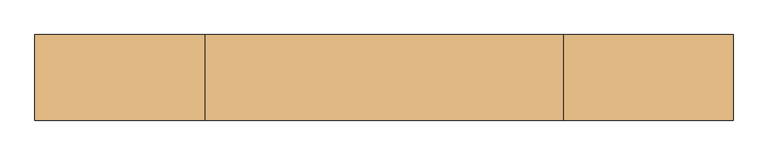
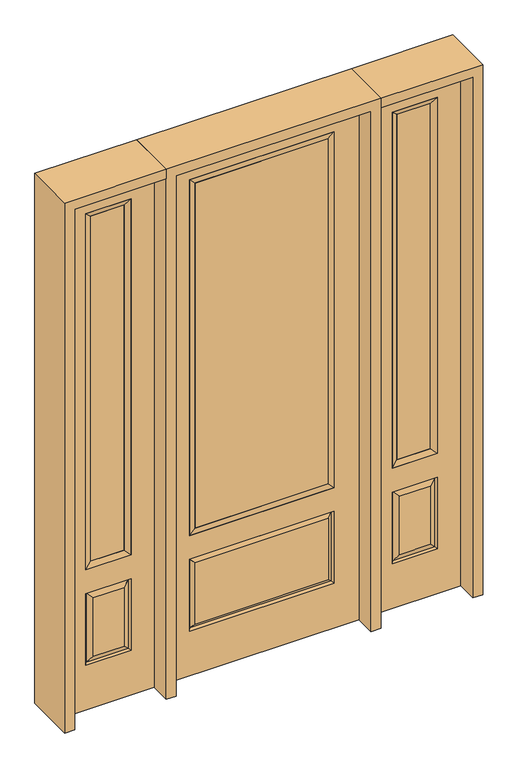
"""IFC4 building model written with IfcOpenShell, lengths in millimetres: door geometry."""

from ifc_helpers import new_model, si_unit, frame, origin, place, context, project, spatial, polyline, outline, extrude, faceted_brep, source, transform, mapped, element, save


def door_7d9199bf(model_context):
    return source(origin(), model_context, "Body", "SolidModel", [
        faceted_brep([(476.25, -22.225, 0.0), (882.65, -22.225, 0.0), (882.65, -22.225, 2438.4), (476.25, -22.225, 2438.4), (779.78, -22.225, 2325.624), (779.78, -22.225, 657.098), (579.12, -22.225, 657.098), (579.12, -22.225, 2325.624), (779.78, -22.225, 209.55), (579.12, -22.225, 209.55), (579.12, -22.225, 546.1), (779.78, -22.225, 546.1), (610.8351001, -22.225, 241.2651001), (748.0648999, -22.225, 241.2651001), (748.0648999, -22.225, 514.3848999), (610.8351001, -22.225, 514.3848999), (476.25, 22.225, 0.0), (476.25, 22.225, 2438.4), (882.65, 22.225, 2438.4), (882.65, 22.225, 0.0), (779.78, 22.225, 2325.624), (579.12, 22.225, 2325.624), (579.12, 22.225, 657.098), (779.78, 22.225, 657.098), (579.12, 22.225, 209.55), (779.78, 22.225, 209.55), (779.78, 22.225, 546.1), (579.12, 22.225, 546.1), (748.0648999, 22.225, 241.2651001), (610.8351001, 22.225, 241.2651001), (610.8351001, 22.225, 514.3848999), (748.0648999, 22.225, 514.3848999), (772.6711499, 12.7912373, 216.6588501), (586.2288501, 12.7912373, 216.6588501), (586.2288501, 12.7912373, 538.9911499), (772.6711499, 12.7912373, 538.9911499), (586.2288501, -12.7912373, 216.6588501), (772.6711499, -12.7912373, 216.6588501), (586.2288501, -12.7912373, 538.9911499), (772.6711499, -12.7912373, 538.9911499)], [[[0, 1, 2, 3], [4, 5, 6, 7], [8, 9, 10, 11]], [[12, 13, 14, 15]], [[16, 17, 18, 19], [20, 21, 22, 23], [24, 25, 26, 27]], [[28, 29, 30, 31]], [[1, 0, 16, 19]], [[2, 1, 19, 18]], [[3, 2, 18, 17]], [[0, 3, 17, 16]], [[5, 4, 20, 23]], [[6, 5, 23, 22]], [[7, 6, 22, 21]], [[4, 7, 21, 20]], [[32, 33, 29, 28]], [[33, 32, 25, 24]], [[29, 33, 34, 30]], [[33, 24, 27, 34]], [[30, 34, 35, 31]], [[34, 27, 26, 35]], [[32, 28, 31, 35]], [[25, 32, 35, 26]], [[12, 36, 37, 13]], [[37, 36, 9, 8]], [[36, 12, 15, 38]], [[9, 36, 38, 10]], [[38, 15, 14, 39]], [[10, 38, 39, 11]], [[13, 37, 39, 14]], [[37, 8, 11, 39]]]),
        faceted_brep([(579.12, 22.225, 2325.624), (579.12, -22.225, 2325.624), (779.78, -22.225, 2325.624), (779.78, 22.225, 2325.624), (604.52, 12.7, 2300.224), (754.38, 12.7, 2300.224), (604.52, -12.7, 2300.224), (754.38, -12.7, 2300.224), (779.78, -22.225, 657.098), (779.78, 22.225, 657.098), (754.38, 12.7, 682.498), (754.38, -12.7, 682.498), (579.12, -22.225, 657.098), (579.12, 22.225, 657.098), (604.52, 12.7, 682.498), (604.52, -12.7, 682.498)], [[[0, 1, 2, 3]], [[4, 0, 3, 5]], [[6, 4, 5, 7]], [[1, 6, 7, 2]], [[3, 2, 8, 9]], [[5, 3, 9, 10]], [[7, 5, 10, 11]], [[2, 7, 11, 8]], [[9, 8, 12, 13]], [[10, 9, 13, 14]], [[11, 10, 14, 15]], [[8, 11, 15, 12]], [[13, 12, 1, 0]], [[14, 13, 0, 4]], [[15, 14, 4, 6]], [[12, 15, 6, 1]]]),
        extrude(outline(polyline([(754.38, -12.7), (604.52, -12.7), (604.52, 12.7), (754.38, 12.7), (754.38, -12.7)])), frame((0.0, 0.0, 682.498), z_axis=(0.0, 0.0, 1.0), x_axis=(1.0, 0.0, 0.0)), (0.0, 0.0, 1.0), 1617.726),
        faceted_brep([(-882.65, -22.225, 0.0), (-476.25, -22.225, 0.0), (-476.25, -22.225, 2438.4), (-882.65, -22.225, 2438.4), (-579.12, -22.225, 2325.624), (-579.12, -22.225, 657.098), (-779.78, -22.225, 657.098), (-779.78, -22.225, 2325.624), (-579.12, -22.225, 209.55), (-779.78, -22.225, 209.55), (-779.78, -22.225, 546.1), (-579.12, -22.225, 546.1), (-748.0648999, -22.225, 241.2651001), (-610.8351001, -22.225, 241.2651001), (-610.8351001, -22.225, 514.3848999), (-748.0648999, -22.225, 514.3848999), (-882.65, 22.225, 0.0), (-882.65, 22.225, 2438.4), (-476.25, 22.225, 2438.4), (-476.25, 22.225, 0.0), (-579.12, 22.225, 2325.624), (-779.78, 22.225, 2325.624), (-779.78, 22.225, 657.098), (-579.12, 22.225, 657.098), (-779.78, 22.225, 209.55), (-579.12, 22.225, 209.55), (-579.12, 22.225, 546.1), (-779.78, 22.225, 546.1), (-610.8351001, 22.225, 241.2651001), (-748.0648999, 22.225, 241.2651001), (-748.0648999, 22.225, 514.3848999), (-610.8351001, 22.225, 514.3848999), (-586.2288501, 12.7912373, 216.6588501), (-772.6711499, 12.7912373, 216.6588501), (-772.6711499, 12.7912373, 538.9911499), (-586.2288501, 12.7912373, 538.9911499), (-772.6711499, -12.7912373, 216.6588501), (-586.2288501, -12.7912373, 216.6588501), (-772.6711499, -12.7912373, 538.9911499), (-586.2288501, -12.7912373, 538.9911499)], [[[0, 1, 2, 3], [4, 5, 6, 7], [8, 9, 10, 11]], [[12, 13, 14, 15]], [[16, 17, 18, 19], [20, 21, 22, 23], [24, 25, 26, 27]], [[28, 29, 30, 31]], [[1, 0, 16, 19]], [[2, 1, 19, 18]], [[3, 2, 18, 17]], [[0, 3, 17, 16]], [[5, 4, 20, 23]], [[6, 5, 23, 22]], [[7, 6, 22, 21]], [[4, 7, 21, 20]], [[32, 33, 29, 28]], [[33, 32, 25, 24]], [[29, 33, 34, 30]], [[33, 24, 27, 34]], [[30, 34, 35, 31]], [[34, 27, 26, 35]], [[32, 28, 31, 35]], [[25, 32, 35, 26]], [[12, 36, 37, 13]], [[37, 36, 9, 8]], [[36, 12, 15, 38]], [[9, 36, 38, 10]], [[38, 15, 14, 39]], [[10, 38, 39, 11]], [[13, 37, 39, 14]], [[37, 8, 11, 39]]]),
        faceted_brep([(-779.78, 22.225, 2325.624), (-779.78, -22.225, 2325.624), (-579.12, -22.225, 2325.624), (-579.12, 22.225, 2325.624), (-754.38, 12.7, 2300.224), (-604.52, 12.7, 2300.224), (-754.38, -12.7, 2300.224), (-604.52, -12.7, 2300.224), (-579.12, -22.225, 657.098), (-579.12, 22.225, 657.098), (-604.52, 12.7, 682.498), (-604.52, -12.7, 682.498), (-779.78, -22.225, 657.098), (-779.78, 22.225, 657.098), (-754.38, 12.7, 682.498), (-754.38, -12.7, 682.498)], [[[0, 1, 2, 3]], [[4, 0, 3, 5]], [[6, 4, 5, 7]], [[1, 6, 7, 2]], [[3, 2, 8, 9]], [[5, 3, 9, 10]], [[7, 5, 10, 11]], [[2, 7, 11, 8]], [[9, 8, 12, 13]], [[10, 9, 13, 14]], [[11, 10, 14, 15]], [[8, 11, 15, 12]], [[13, 12, 1, 0]], [[14, 13, 0, 4]], [[15, 14, 4, 6]], [[12, 15, 6, 1]]]),
        extrude(outline(polyline([(-604.52, -12.7), (-754.38, -12.7), (-754.38, 12.7), (-604.52, 12.7), (-604.52, -12.7)])), frame((0.0, 0.0, 682.498), z_axis=(0.0, 0.0, 1.0), x_axis=(1.0, 0.0, 0.0)), (0.0, 0.0, 1.0), 1617.726),
        extrude(outline(polyline([(295.275, -20.32), (-295.275, -20.32), (-295.275, 5.08), (295.275, 5.08), (295.275, -20.32)])), frame((0.0, 0.0, 682.498), z_axis=(0.0, 0.0, 1.0), x_axis=(1.0, 0.0, 0.0)), (0.0, 0.0, 1.0), 1616.202),
        faceted_brep([(-313.5661499, -12.7912373, 216.6588501), (313.5661499, -12.7912373, 216.6588501), (296.06875, -22.225, 234.15625), (-296.06875, -22.225, 234.15625), (-320.675, -22.225, 209.55), (320.675, -22.225, 209.55), (-313.5661499, -12.7912373, 538.9911499), (-320.675, -22.225, 546.1), (296.06875, -22.225, 521.49375), (-296.06875, -22.225, 521.49375), (431.8, -22.225, 2438.4), (-431.8, -22.225, 2438.4), (-431.8, -22.225, 0.0), (431.8, -22.225, 0.0), (320.675, -22.225, 546.1), (320.675, -22.225, 2324.1), (320.675, -22.225, 657.098), (-320.675, -22.225, 657.098), (-320.675, -22.225, 2324.1), (313.5661499, -12.7912373, 538.9911499), (-431.8, 22.225, 2438.4), (-431.8, 22.225, 0.0), (431.8, 22.225, 0.0), (431.8, 22.225, 2438.4), (320.675, 22.225, 2324.1), (320.675, 22.225, 657.098), (-320.675, 22.225, 657.098), (-320.675, 22.225, 2324.1), (-320.675, 22.225, 209.55), (320.675, 22.225, 209.55), (320.675, 22.225, 546.1), (-320.675, 22.225, 546.1), (296.06875, 22.225, 234.15625), (-296.06875, 22.225, 234.15625), (-296.06875, 22.225, 521.49375), (296.06875, 22.225, 521.49375), (-313.5661499, 12.7912373, 216.6588501), (313.5661499, 12.7912373, 216.6588501), (313.5661499, 12.7912373, 538.9911499), (-313.5661499, 12.7912373, 538.9911499)], [[[0, 1, 2, 3]], [[1, 0, 4, 5]], [[4, 0, 6, 7]], [[3, 2, 8, 9]], [[10, 11, 12, 13], [5, 4, 7, 14], [15, 16, 17, 18]], [[1, 5, 14, 19]], [[2, 1, 19, 8]], [[0, 3, 9, 6]], [[7, 6, 19, 14]], [[6, 9, 8, 19]], [[12, 11, 20, 21]], [[13, 12, 21, 22]], [[10, 13, 22, 23]], [[16, 15, 24, 25]], [[17, 16, 25, 26]], [[18, 17, 26, 27]], [[23, 22, 21, 20], [28, 29, 30, 31], [24, 27, 26, 25]], [[32, 33, 34, 35]], [[28, 36, 37, 29]], [[29, 37, 38, 30]], [[39, 31, 30, 38]], [[36, 28, 31, 39]], [[37, 36, 33, 32]], [[33, 36, 39, 34]], [[34, 39, 38, 35]], [[37, 32, 35, 38]], [[11, 10, 23, 20]], [[15, 18, 27, 24]]]),
        faceted_brep([(-320.675, -22.225, 2324.1), (-320.675, 22.225, 2324.1), (-320.675, 22.225, 657.098), (-320.675, -22.225, 657.098), (320.675, 22.225, 657.098), (320.675, -22.225, 657.098), (-295.275, 5.08, 682.498), (295.275, 5.08, 682.498), (320.675, 22.225, 2324.1), (320.675, -22.225, 2324.1), (-295.275, -20.32, 682.498), (295.275, -20.32, 682.498), (-295.275, -20.32, 2298.7), (295.275, -20.32, 2298.7), (-295.275, 5.08, 2298.7), (295.275, 5.08, 2298.7)], [[[0, 1, 2, 3]], [[3, 2, 4, 5]], [[2, 6, 7, 4]], [[5, 4, 8, 9]], [[10, 3, 5, 11]], [[12, 0, 3, 10]], [[11, 5, 9, 13]], [[6, 10, 11, 7]], [[14, 12, 10, 6]], [[7, 11, 13, 15]], [[1, 14, 6, 2]], [[4, 7, 15, 8]], [[9, 8, 1, 0]], [[13, 9, 0, 12]], [[15, 13, 12, 14]], [[8, 15, 14, 1]]]),
        extrude(outline(polyline([(2438.4, -476.25), (2482.85, -476.25), (2482.85, -927.1), (0.0, -927.1), (0.0, -882.65), (2438.4, -882.65), (2438.4, -476.25)])), frame((0.0, -114.3, 0.0), z_axis=(0.0, 1.0, 0.0), x_axis=(0.0, 0.0, 1.0)), (0.0, 0.0, 1.0), 228.6),
        extrude(outline(polyline([(2482.85, -476.25), (0.0, -476.25), (0.0, -431.8), (2438.4, -431.8), (2438.4, 431.8), (0.0, 431.8), (0.0, 476.25), (2482.85, 476.25), (2482.85, -476.25)])), frame((0.0, -114.3, 0.0), z_axis=(0.0, 1.0, 0.0), x_axis=(0.0, 0.0, 1.0)), (0.0, 0.0, 1.0), 228.6),
        extrude(outline(polyline([(0.0, 882.65), (0.0, 927.1), (2482.85, 927.1), (2482.85, 476.25), (2438.4, 476.25), (2438.4, 882.65), (0.0, 882.65)])), frame((0.0, -114.3, 0.0), z_axis=(0.0, 1.0, 0.0), x_axis=(0.0, 0.0, 1.0)), (0.0, 0.0, 1.0), 228.6),
    ])


if __name__ == "__main__":
    model = new_model("IFC4")
    model_context = context("Model", 3, world=origin())
    ifc_project = project(units=[si_unit("LENGTHUNIT", "METRE", prefix="MILLI")], contexts=[model_context])
    site = spatial("IfcSite", under=ifc_project)
    building = spatial("IfcBuilding", under=site)
    placement = place(None, origin())
    door_shape = door_7d9199bf(model_context)
    element("IfcDoor", 1, at=placement, inside=building, context=model_context, shape_type="MappedRepresentation", body=[
        mapped(door_shape, transform((0.0, 0.0, 0.0), x_axis=(1.0, 0.0, 0.0), y_axis=(0.0, 1.0, 0.0), z_axis=(0.0, 0.0, 1.0))),
    ])
    save(model, "model.ifc")
